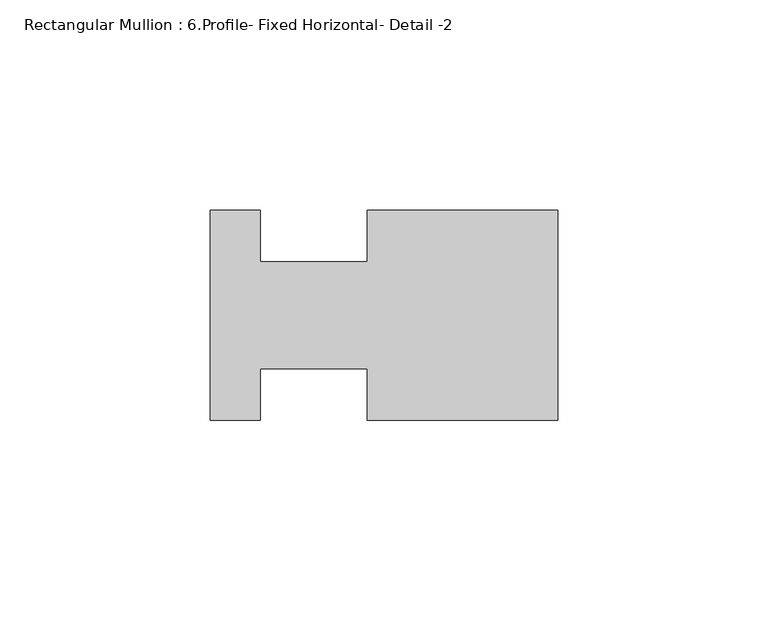
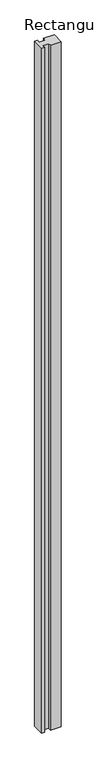
"""IFC4 building model written with IfcOpenShell, lengths in millimetres: member geometry, Rectangular Mullion : 6.Profile- Fixed Horizontal- Detail -2."""

import ifcopenshell
import ifcopenshell.guid

model = None  # the IFC model being written
_history = None  # IfcOwnerHistory: only IFC2X3 demands one
_inside = {}  # id of a spatial element -> (the spatial element, [elements in it])
_under = {}  # id of a project, library or spatial element -> (it, [spatial elements below it])
_declared = {}  # id of a project -> (the project, [libraries it declares])
_typed = {}  # id of a type object -> (the type object, [elements of that type])
_made_of = {}  # id of a material, layer set ... -> (it, [elements and type objects made of it])


def new_model(schema):
    """Start an empty IFC model of exactly this schema.

    Asked for "IFC4X3", IfcOpenShell would pick the latest addendum, in which some entities
    have other attributes; the version numbers below select the first issue.
    IFC2X3 requires an IfcOwnerHistory on every rooted entity: one is made here for all.
    """
    global model, _history
    if schema == "IFC4X3":
        model = ifcopenshell.file(schema_version=(4, 3, 0, 0))
    else:
        model = ifcopenshell.file(schema=schema)
    _inside.clear()
    _under.clear()
    _declared.clear()
    _typed.clear()
    _made_of.clear()
    _history = None
    if model.schema == "IFC2X3":
        org = make("IfcOrganization", Name="unknown")
        user = make(
            "IfcPersonAndOrganization",
            ThePerson=make("IfcPerson", FamilyName="unknown"),
            TheOrganization=org,
        )
        app = make(
            "IfcApplication",
            ApplicationDeveloper=org,
            Version="unknown",
            ApplicationFullName="unknown",
            ApplicationIdentifier="unknown",
        )
        _history = make(
            "IfcOwnerHistory",
            OwningUser=user,
            OwningApplication=app,
            ChangeAction="ADDED",
            CreationDate=0,
        )
    return model


def make(cls, **values):
    """One entity of the class cls with the attributes given. An attribute that is None is left unset."""
    return model.create_entity(
        cls, **{name: value for name, value in values.items() if value is not None}
    )


def rooted(cls, **values):
    """An entity with a GlobalId (a new one), such as an element, a storey or a relation."""
    return make(cls, GlobalId=ifcopenshell.guid.new(), OwnerHistory=_history, **values)


def si_unit(unit_type, name, prefix=None):
    """IfcSIUnit, for example si_unit("LENGTHUNIT", "METRE", prefix="MILLI")."""
    return make("IfcSIUnit", UnitType=unit_type, Prefix=prefix, Name=name)


def assignment(units):
    """IfcUnitAssignment: the units of a project."""
    return None if units is None else make("IfcUnitAssignment", Units=units)


def point(xyz):
    """IfcCartesianPoint."""
    return None if xyz is None else make("IfcCartesianPoint", Coordinates=xyz)


def direction(xyz):
    """IfcDirection."""
    return None if xyz is None else make("IfcDirection", DirectionRatios=xyz)


def frame(location, z_axis=None, x_axis=None):
    """IfcAxis2Placement3D, a coordinate frame: its origin and axes. An axis left out is left unset."""
    return make(
        "IfcAxis2Placement3D",
        Location=point(location),
        Axis=direction(z_axis),
        RefDirection=direction(x_axis),
    )


def origin():
    """The frame at (0, 0, 0) with its axes left unset."""
    return frame((0.0, 0.0, 0.0))


def place(relative_to, where):
    """IfcLocalPlacement: puts the frame where relative to a parent placement (None: the world)."""
    return make(
        "IfcLocalPlacement", PlacementRelTo=relative_to, RelativePlacement=where
    )


def context(
    kind, dimensions, precision=None, world=None, true_north=None, identifier=None
):
    """IfcGeometricRepresentationContext, for example the 3D "Model" context."""
    return make(
        "IfcGeometricRepresentationContext",
        ContextIdentifier=identifier,
        ContextType=kind,
        CoordinateSpaceDimension=dimensions,
        Precision=precision,
        WorldCoordinateSystem=world,
        TrueNorth=true_north,
    )


def project(units=None, contexts=None):
    """IfcProject with its units and contexts."""
    return rooted(
        "IfcProject",
        Name="project",
        RepresentationContexts=contexts,
        UnitsInContext=assignment(units),
    )


def spatial(cls, under=None, at=None, **own):
    """A site, building, storey or space (cls), placed at a placement, below another one or the project."""
    s = rooted(cls, ObjectPlacement=at, **own)
    if under is not None:
        _under.setdefault(under.id(), (under, []))[1].append(s)
    return s


def polyline(points):
    """IfcPolyline through the points."""
    return make("IfcPolyline", Points=[point(p) for p in points])


def outline(outer, holes=None, kind="AREA"):
    """IfcArbitraryClosedProfileDef: a profile drawn as a closed curve; with holes, ...WithVoids."""
    if holes is None:
        return make("IfcArbitraryClosedProfileDef", ProfileType=kind, OuterCurve=outer)
    return make(
        "IfcArbitraryProfileDefWithVoids",
        ProfileType=kind,
        OuterCurve=outer,
        InnerCurves=holes,
    )


def extrude(swept, where, along, depth):
    """IfcExtrudedAreaSolid: the profile swept, set in the frame where, extruded along a direction by depth."""
    return make(
        "IfcExtrudedAreaSolid",
        SweptArea=swept,
        Position=where,
        ExtrudedDirection=direction(along),
        Depth=depth,
    )


def shape(context_of_items, identifier, shape_type, items):
    """IfcShapeRepresentation: the items that make up one representation, for example the "Body"."""
    return make(
        "IfcShapeRepresentation",
        ContextOfItems=context_of_items,
        RepresentationIdentifier=identifier,
        RepresentationType=shape_type,
        Items=items,
    )


def source(mapping_origin, context_of_items, identifier, shape_type, items):
    """IfcRepresentationMap: a shape defined once, which mapped items show again and again."""
    return make(
        "IfcRepresentationMap",
        MappingOrigin=mapping_origin,
        MappedRepresentation=shape(context_of_items, identifier, shape_type, items),
    )


def transform(
    local_origin,
    x_axis=None,
    y_axis=None,
    z_axis=None,
    scale=None,
    scale2=None,
    scale3=None,
    uniform=True,
):
    """IfcCartesianTransformationOperator3D, or its non-uniform kind. x_axis, y_axis, z_axis: its Axis1, 2, 3."""
    if uniform:
        return make(
            "IfcCartesianTransformationOperator3D",
            Axis1=direction(x_axis),
            Axis2=direction(y_axis),
            LocalOrigin=point(local_origin),
            Scale=scale,
            Axis3=direction(z_axis),
        )
    return make(
        "IfcCartesianTransformationOperator3DnonUniform",
        Axis1=direction(x_axis),
        Axis2=direction(y_axis),
        LocalOrigin=point(local_origin),
        Scale=scale,
        Axis3=direction(z_axis),
        Scale2=scale2,
        Scale3=scale3,
    )


def mapped(mapping_source, mapping_target):
    """IfcMappedItem: shows the shape of a source again, moved by a transform."""
    return make(
        "IfcMappedItem", MappingSource=mapping_source, MappingTarget=mapping_target
    )


def made_of(thing, what):
    """Note that an element or type object is made of a material, layer set ...; save() writes the relation."""
    if what is not None:
        _made_of.setdefault(what.id(), (what, []))[1].append(thing)
    return thing


def element(
    cls,
    number,
    at=None,
    inside=None,
    cuts=None,
    type_object=None,
    material=None,
    context=None,
    identifier="Body",
    shape_type=None,
    held_by="IfcProductDefinitionShape",
    body=None,
    shapes=None,
    **own,
):
    """One element of the class cls, such as IfcWall. Its Tag is "e" and its number.

    at: its placement. inside: the storey or other place that contains it. cuts: it is an
    opening in that element (IfcRelVoidsElement). A single representation is given by context,
    identifier, shape_type and body (its items); several are given by shapes. held_by: the class
    of the entity that holds the representations. save() writes the other relations.
    """
    e = rooted(cls, Tag="e%d" % number, ObjectPlacement=at, **own)
    if body is not None:
        shapes = [shape(context, identifier, shape_type, body)]
    if shapes is not None:
        e.Representation = make(held_by, Representations=shapes)
    if inside is not None:
        _inside.setdefault(inside.id(), (inside, []))[1].append(e)
    if cuts is not None:
        rooted(
            "IfcRelVoidsElement", RelatingBuildingElement=cuts, RelatedOpeningElement=e
        )
    if type_object is not None:
        _typed.setdefault(type_object.id(), (type_object, []))[1].append(e)
    return made_of(e, material)


def aggregate(whole, parts):
    """IfcRelAggregates: a whole, such as a stair, and the parts it consists of."""
    return rooted("IfcRelAggregates", RelatingObject=whole, RelatedObjects=parts)


def save(model, path):
    """Write the relations noted so far, then the file.

    IfcRelAggregates (storeys below a building ...), IfcRelContainedInSpatialStructure (elements
    in a storey), IfcRelDefinesByType, IfcRelAssociatesMaterial and IfcRelDeclares: one each for
    every whole, place, type object, material and project.
    """
    for whole, parts in _under.values():
        aggregate(whole, parts)
    for where, things in _inside.values():
        rooted(
            "IfcRelContainedInSpatialStructure",
            RelatedElements=things,
            RelatingStructure=where,
        )
    for kind, things in _typed.values():
        rooted("IfcRelDefinesByType", RelatedObjects=things, RelatingType=kind)
    for what, things in _made_of.values():
        rooted("IfcRelAssociatesMaterial", RelatedObjects=things, RelatingMaterial=what)
    for by, libraries in _declared.values():
        rooted("IfcRelDeclares", RelatingContext=by, RelatedDefinitions=libraries)
    model.write(path)


def rectangular_mullion_6_profile_fixed_horizontal_detail_2_4dbe0675(model_context):
    return source(origin(), model_context, "Body", "SweptSolid", [
        extrude(outline(polyline([(-82.55, -24.9174), (-82.55, 24.9174), (-70.7136, 24.9174), (-70.7136, 12.7), (-45.3136, 12.7), (-45.3136, 24.9174), (0.0, 24.9174), (0.0, -24.9174), (-45.3136, -24.9174), (-45.3136, -12.7), (-70.7136, -12.7), (-70.7136, -24.9174), (-82.55, -24.9174)])), frame((0.0, 0.0, -3048.0), z_axis=(0.0, 0.0, 1.0), x_axis=(1.0, 0.0, 0.0)), (0.0, 0.0, 1.0), 3048.0),
    ])


if __name__ == "__main__":
    model = new_model("IFC4")
    model_context = context("Model", 3, world=origin())
    ifc_project = project(units=[si_unit("LENGTHUNIT", "METRE", prefix="MILLI")], contexts=[model_context])
    site = spatial("IfcSite", under=ifc_project)
    building = spatial("IfcBuilding", under=site)
    placement = place(None, origin())
    rectangular_mullion_6_profile_fixed_horizontal_detail_2_shape = rectangular_mullion_6_profile_fixed_horizontal_detail_2_4dbe0675(model_context)
    element("IfcMember", 1, ObjectType="Rectangular Mullion : 6.Profile- Fixed Horizontal- Detail -2", at=placement, inside=building, context=model_context, shape_type="MappedRepresentation", body=[
        mapped(rectangular_mullion_6_profile_fixed_horizontal_detail_2_shape, transform((0.0, 0.0, 0.0), x_axis=(1.0, 0.0, 0.0), y_axis=(0.0, 1.0, 0.0), z_axis=(0.0, 0.0, 1.0))),
    ])
    save(model, "model.ifc")
